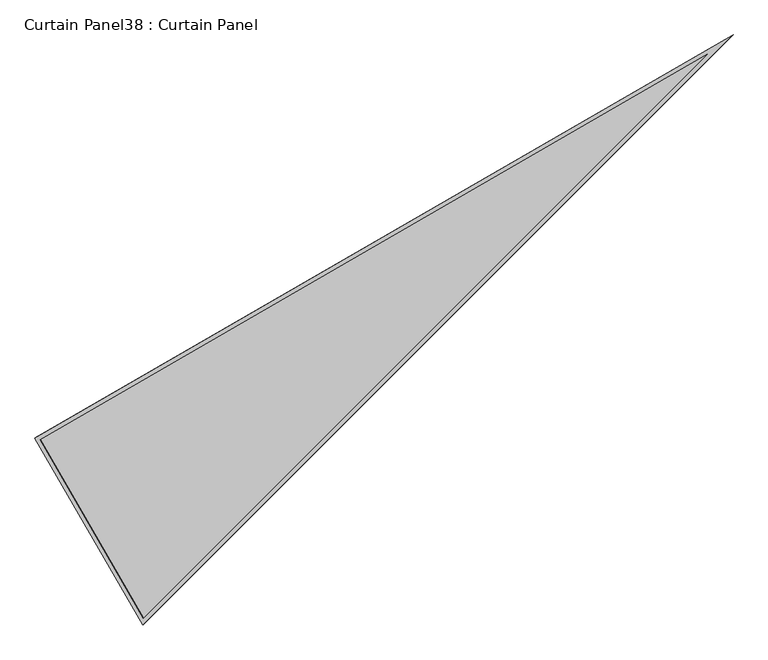
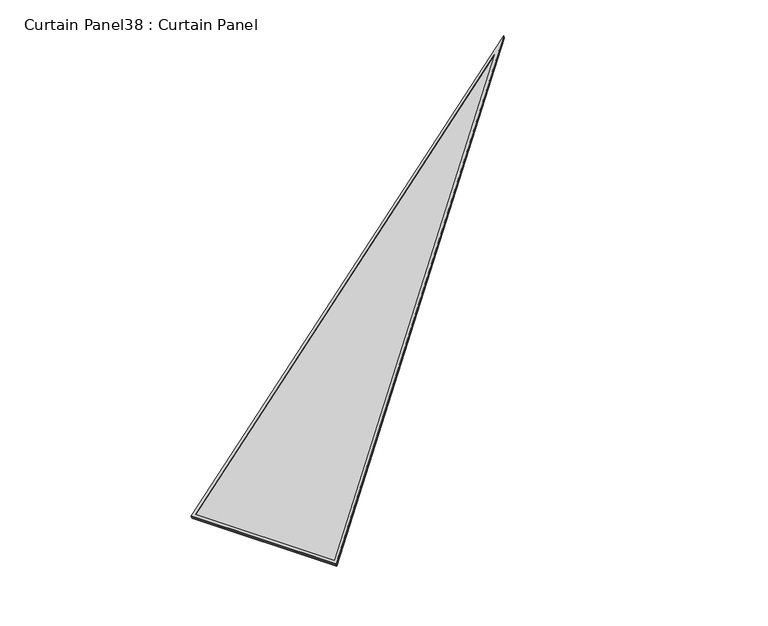
"""IFC4 building model written with IfcOpenShell, lengths in millimetres: plate geometry, Curtain Panel38 : Curtain Panel."""

from ifc_helpers import new_model, si_unit, frame, origin, place, context, project, spatial, polyline, outline, extrude, source, transform, mapped, element, save


def curtain_panel38_curtain_panel_dc78e4d3(model_context):
    return source(origin(), model_context, "Body", "SweptSolid", [
        extrude(outline(polyline([(895.9373554, 0.0), (895.9373554, -3524.4506618), (0.0, 0.0), (895.9373554, 0.0)]), holes=[polyline([(879.2745576, -16.6627979), (21.4285395, -16.6627979), (879.2745576, -3391.2692346), (879.2745576, -16.6627979)])]), frame((7407.4484043, -3523.0104615, 898.6621139), z_axis=(-0.27379031486168465, -0.15807291198690382, 0.9487106081329123), x_axis=(-0.49999999999999595, 0.866025403784441, 0.0)), (0.0, 0.0, 1.0), 4.8718537),
        extrude(outline(polyline([(895.9373554, -1e-07), (895.9373553, -3524.4506619), (0.0, 0.0), (895.9373554, -1e-07)]), holes=[polyline([(885.6245575, -10.3127979), (13.2623703, -10.312798), (885.6245575, -3442.0231398), (885.6245575, -10.3127979)])]), frame((7412.2635276, -3520.2304487, 881.9772337), z_axis=(-0.2737903148616849, -0.1580729119869043, 0.9487106081329122), x_axis=(-0.49999999999999634, 0.8660254037844408, 0.0)), (0.0, 0.0, 1.0), 4.8490162),
        extrude(outline(polyline([(20.1836541, 0.0), (916.1210095, -1e-07), (916.1210095, -3524.4506618), (20.1836541, 0.0)])), frame((7421.027741, -3538.476504, 886.5775468), z_axis=(-0.2737903148616803, -0.15807291198690102, 0.9487106081329141), x_axis=(-0.4999999999999951, 0.8660254037844415, 0.0)), (0.0, 0.0, 1.0), 12.7378855),
    ])


if __name__ == "__main__":
    model = new_model("IFC4")
    model_context = context("Model", 3, world=origin())
    ifc_project = project(units=[si_unit("LENGTHUNIT", "METRE", prefix="MILLI")], contexts=[model_context])
    site = spatial("IfcSite", under=ifc_project)
    building = spatial("IfcBuilding", under=site)
    placement = place(None, origin())
    curtain_panel38_curtain_panel_shape = curtain_panel38_curtain_panel_dc78e4d3(model_context)
    element("IfcPlate", 1, ObjectType="Curtain Panel38 : Curtain Panel", at=placement, inside=building, context=model_context, shape_type="MappedRepresentation", body=[
        mapped(curtain_panel38_curtain_panel_shape, transform((0.0, 0.0, 0.0), x_axis=(1.0, 0.0, 0.0), y_axis=(0.0, 1.0, 0.0), z_axis=(0.0, 0.0, 1.0))),
    ])
    save(model, "model.ifc")
